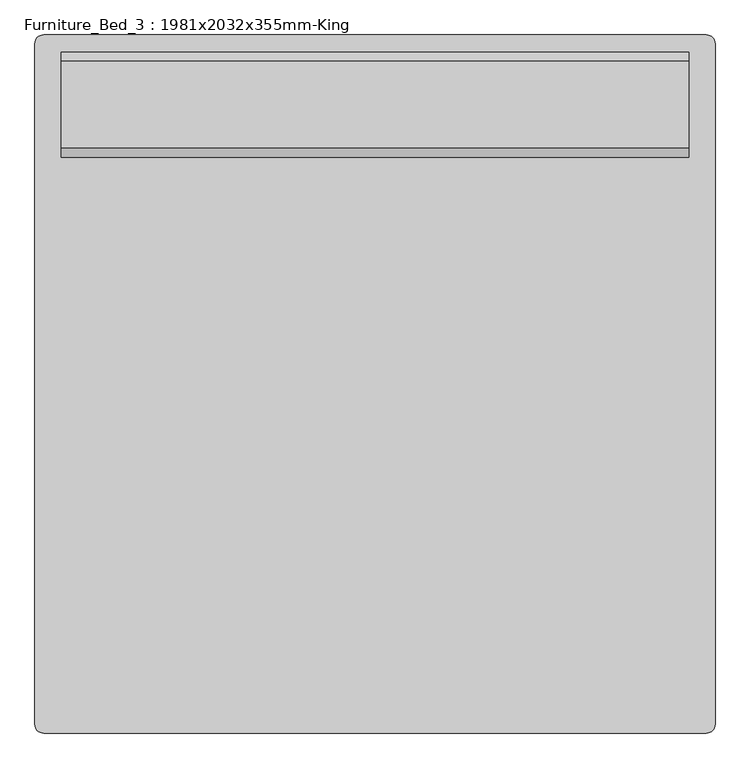
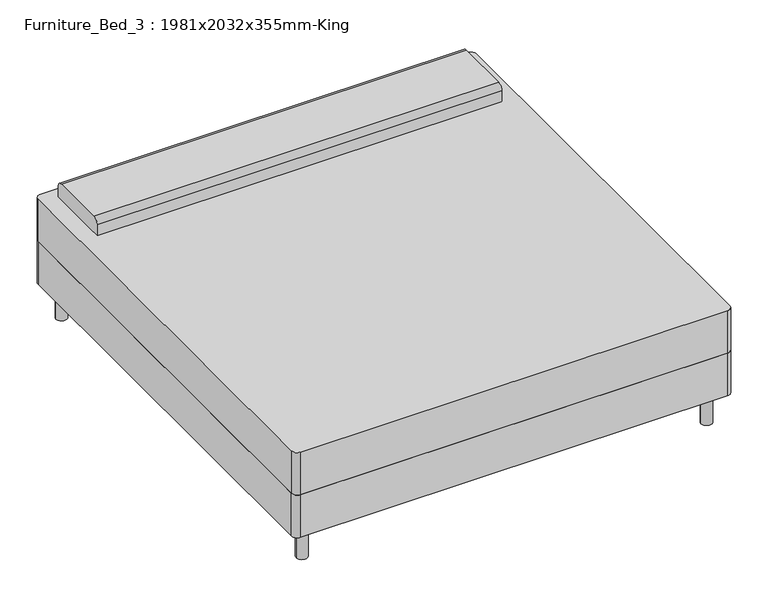
"""IFC4 building model written with IfcOpenShell, lengths in millimetres: furniture geometry, Furniture_Bed_3 : 1981x2032x355mm-King."""

from ifc_helpers import new_model, si_unit, point, frame, frame_2d, origin, origin_with_axes, place, context, project, spatial, polyline, circle_curve, trimmed, segment, composite_curve, outline, extrude, source, transform, mapped, element, save


def furniture_bed_3_1981x2032x355mm_king_ac41f40f(model_context):
    return source(origin(), model_context, "Body", "SweptSolid", [
        extrude(outline(composite_curve([segment(polyline([(-719.0114754, -1036.195082), (-719.0114754, 945.004918)]), True, "CONTINUOUS"), segment(trimmed(circle_curve(frame_2d((-693.6114754, 945.004918)), 25.4), [point((-719.0114754, 945.004918))], [point((-693.6114754, 970.404918))], False, "CARTESIAN"), True, "CONTINUOUS"), segment(polyline([(-693.6114754, 970.404918), (1236.5885246, 970.404918)]), True, "CONTINUOUS"), segment(trimmed(circle_curve(frame_2d((1236.5885246, 945.004918)), 25.4), [point((1236.5885246, 970.404918))], [point((1261.9885246, 945.004918))], False, "CARTESIAN"), True, "CONTINUOUS"), segment(polyline([(1261.9885246, 945.004918), (1261.9885246, -1036.195082)]), True, "CONTINUOUS"), segment(trimmed(circle_curve(frame_2d((1236.5885246, -1036.195082)), 25.4), [point((1261.9885246, -1036.195082))], [point((1236.5885246, -1061.595082))], False, "CARTESIAN"), True, "CONTINUOUS"), segment(polyline([(1236.5885246, -1061.595082), (-693.6114754, -1061.595082)]), True, "CONTINUOUS"), segment(trimmed(circle_curve(frame_2d((-693.6114754, -1036.195082)), 25.4), [point((-693.6114754, -1061.595082))], [point((-719.0114754, -1036.195082))], False, "CARTESIAN"), True, "CONTINUOUS")], self_intersect=False)), frame((0.0, 0.0, 152.4), z_axis=(0.0, 0.0, 1.0), x_axis=(1.0, 0.0, 0.0)), (0.0, 0.0, 1.0), 203.2),
        extrude(outline(composite_curve([segment(polyline([(614.804918, 558.8), (614.804918, 609.6)]), True, "CONTINUOUS"), segment(trimmed(circle_curve(frame_2d((640.204918, 609.6)), 25.4), [point((614.804918, 609.6))], [point((640.204918, 635.0))], False, "CARTESIAN"), True, "CONTINUOUS"), segment(polyline([(640.204918, 635.0), (894.204918, 635.0)]), True, "CONTINUOUS"), segment(trimmed(circle_curve(frame_2d((894.204918, 609.6)), 25.4), [point((894.204918, 635.0))], [point((919.604918, 609.6))], False, "CARTESIAN"), True, "CONTINUOUS"), segment(polyline([(919.604918, 609.6), (919.604918, 558.8), (614.804918, 558.8)]), True, "CONTINUOUS")], self_intersect=False)), frame((-642.8114754, 0.0, 0.0), z_axis=(1.0, 0.0, 0.0), x_axis=(0.0, 1.0, 0.0)), (0.0, 0.0, 1.0), 1828.6),
        extrude(outline(composite_curve([segment(trimmed(circle_curve(frame_2d((-642.8114754, 894.204918)), 25.4), [point((-668.2114754, 894.204918))], [point((-617.4114754, 894.204918))], False, "CARTESIAN"), True, "CONTINUOUS"), segment(trimmed(circle_curve(frame_2d((-642.8114754, 894.204918)), 25.4), [point((-617.4114754, 894.204918))], [point((-668.2114754, 894.204918))], False, "CARTESIAN"), True, "CONTINUOUS")], self_intersect=False)), origin_with_axes(), (0.0, 0.0, 1.0), 152.4),
        extrude(outline(composite_curve([segment(trimmed(circle_curve(frame_2d((1185.7885246, 894.204918)), 25.4), [point((1160.3885246, 894.204918))], [point((1211.1885246, 894.204918))], False, "CARTESIAN"), True, "CONTINUOUS"), segment(trimmed(circle_curve(frame_2d((1185.7885246, 894.204918)), 25.4), [point((1211.1885246, 894.204918))], [point((1160.3885246, 894.204918))], False, "CARTESIAN"), True, "CONTINUOUS")], self_intersect=False)), origin_with_axes(), (0.0, 0.0, 1.0), 152.4),
        extrude(outline(composite_curve([segment(trimmed(circle_curve(frame_2d((1185.7885246, -985.395082)), 25.4), [point((1160.3885246, -985.395082))], [point((1211.1885246, -985.395082))], False, "CARTESIAN"), True, "CONTINUOUS"), segment(trimmed(circle_curve(frame_2d((1185.7885246, -985.395082)), 25.4), [point((1211.1885246, -985.395082))], [point((1160.3885246, -985.395082))], False, "CARTESIAN"), True, "CONTINUOUS")], self_intersect=False)), origin_with_axes(), (0.0, 0.0, 1.0), 152.4),
        extrude(outline(composite_curve([segment(trimmed(circle_curve(frame_2d((-642.8114754, -985.395082)), 25.4), [point((-668.2114754, -985.395082))], [point((-617.4114754, -985.395082))], False, "CARTESIAN"), True, "CONTINUOUS"), segment(trimmed(circle_curve(frame_2d((-642.8114754, -985.395082)), 25.4), [point((-617.4114754, -985.395082))], [point((-668.2114754, -985.395082))], False, "CARTESIAN"), True, "CONTINUOUS")], self_intersect=False)), origin_with_axes(), (0.0, 0.0, 1.0), 152.4),
        extrude(outline(composite_curve([segment(trimmed(circle_curve(frame_2d((-693.6114754, 945.004918)), 25.4), [point((-719.0114754, 945.004918))], [point((-693.6114754, 970.404918))], False, "CARTESIAN"), True, "CONTINUOUS"), segment(polyline([(-693.6114754, 970.404918), (1236.5885246, 970.404918)]), True, "CONTINUOUS"), segment(trimmed(circle_curve(frame_2d((1236.5885246, 945.004918)), 25.4), [point((1236.5885246, 970.404918))], [point((1261.9885246, 945.004918))], False, "CARTESIAN"), True, "CONTINUOUS"), segment(polyline([(1261.9885246, 945.004918), (1261.9885246, -1036.195082)]), True, "CONTINUOUS"), segment(trimmed(circle_curve(frame_2d((1236.5885246, -1036.195082)), 25.4), [point((1261.9885246, -1036.195082))], [point((1236.5885246, -1061.595082))], False, "CARTESIAN"), True, "CONTINUOUS"), segment(polyline([(1236.5885246, -1061.595082), (-693.6114754, -1061.595082)]), True, "CONTINUOUS"), segment(trimmed(circle_curve(frame_2d((-693.6114754, -1036.195082)), 25.4), [point((-693.6114754, -1061.595082))], [point((-719.0114754, -1036.195082))], False, "CARTESIAN"), True, "CONTINUOUS"), segment(polyline([(-719.0114754, -1036.195082), (-719.0114754, 945.004918)]), True, "CONTINUOUS")], self_intersect=False)), frame((0.0, 0.0, 355.6), z_axis=(0.0, 0.0, 1.0), x_axis=(1.0, 0.0, 0.0)), (0.0, 0.0, 1.0), 203.2),
    ])


if __name__ == "__main__":
    model = new_model("IFC4")
    model_context = context("Model", 3, world=origin())
    ifc_project = project(units=[si_unit("LENGTHUNIT", "METRE", prefix="MILLI")], contexts=[model_context])
    site = spatial("IfcSite", under=ifc_project)
    building = spatial("IfcBuilding", under=site)
    placement = place(None, origin())
    furniture_bed_3_1981x2032x355mm_king_shape = furniture_bed_3_1981x2032x355mm_king_ac41f40f(model_context)
    element("IfcFurniture", 1, ObjectType="Furniture_Bed_3 : 1981x2032x355mm-King", at=placement, inside=building, context=model_context, shape_type="MappedRepresentation", body=[
        mapped(furniture_bed_3_1981x2032x355mm_king_shape, transform((0.0, 0.0, 0.0), x_axis=(1.0, 0.0, 0.0), y_axis=(0.0, 1.0, 0.0), z_axis=(0.0, 0.0, 1.0))),
    ])
    save(model, "model.ifc")
